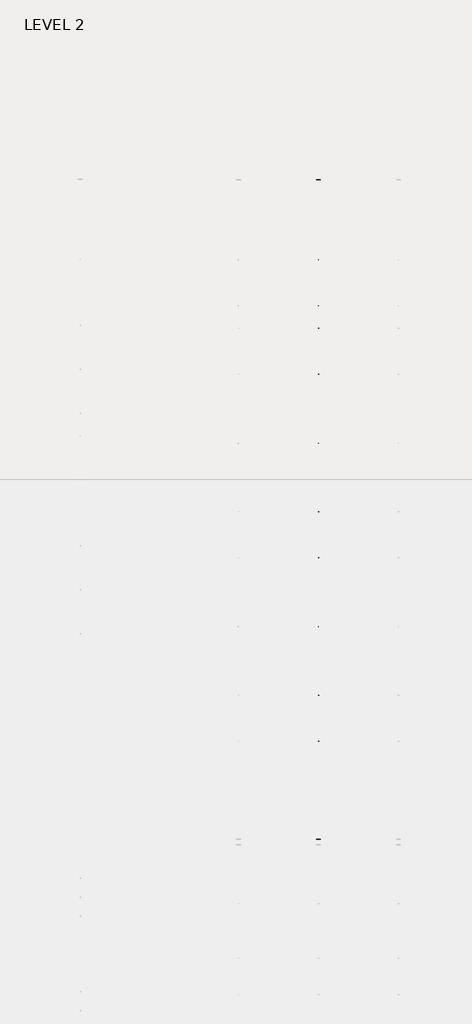
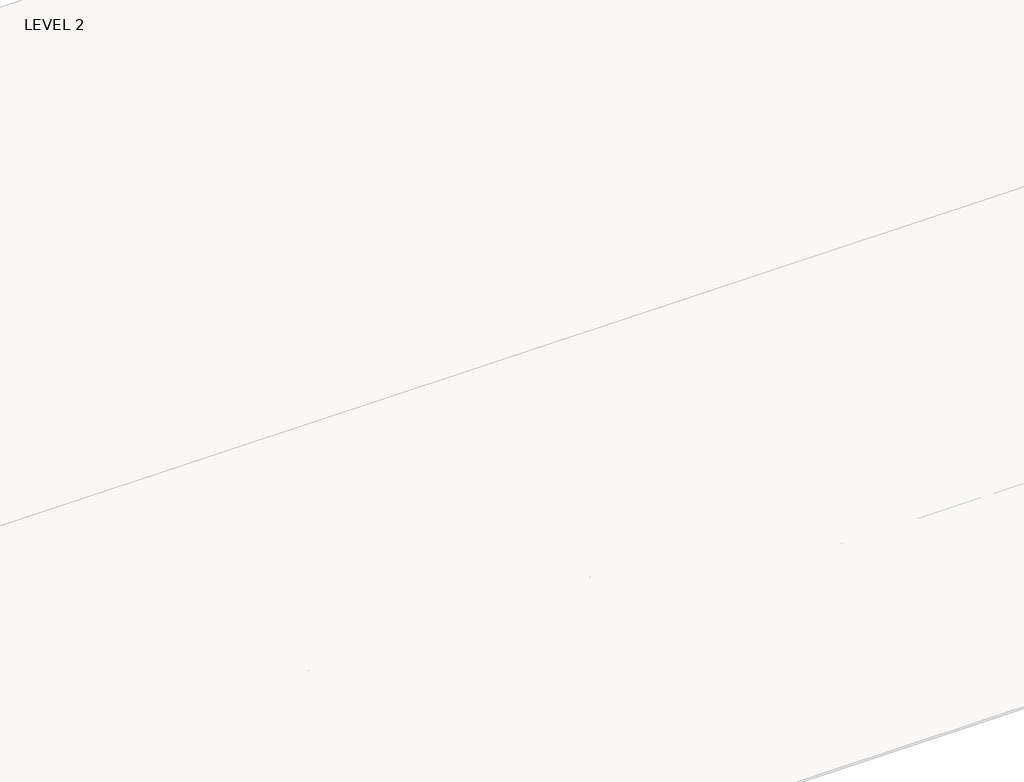
# One storey, part 33 of 67: 2 beams.
"""IFC4 building model written with IfcOpenShell, lengths in millimetres."""

from ifc_helpers import new_model, si_unit, frame, origin, place, context, project, spatial, polyline, circle_curve, ellipse_curve, outline, extrude, faceted_brep, element, save
from ifc_brep_helpers import plane_surface, revolved_surface, advanced_brep

model = new_model("IFC4")

# Units and contexts
model_context = context("Model", 3, world=origin())
ifc_project = project(units=[si_unit("LENGTHUNIT", "METRE", prefix="MILLI")], contexts=[model_context])

# Site, building, storey
site = spatial("IfcSite", under=ifc_project)
building = spatial("IfcBuilding", under=site)
storey = spatial("IfcBuildingStorey", under=building, Name="LEVEL 2", Elevation=6908.8)

# Beams
placement = place(None, origin())
element("IfcBeam", 1, ObjectType="K-Series Bar Joist-Angle Web : 30K7", at=placement, inside=storey, context=model_context, shape_type="SolidModel", body=[
    extrude(outline(polyline([(0.0, -9.525), (0.0, 0.0), (1596.011582, 0.0), (1596.011582, -9.525), (0.0, -9.525)])), frame((27777.0014942, 3035.5608234, 6301.5998528), z_axis=(0.0, -0.45537207995192985, 0.8903012236317849), x_axis=(0.0, -0.8903012236317849, -0.45537207995192985)), (0.0, 0.0, 1.0), 9.525),
    extrude(outline(polyline([(0.0, -9.525), (0.0, 0.0), (1596.011582, 0.0), (1596.011582, -9.525), (0.0, -9.525)])), frame((27767.4764942, -9405.2089013, 6276.405159), z_axis=(0.0, 0.45176233395621196, 0.8921383265046045), x_axis=(0.0, 0.8921383265046045, -0.45176233395621196)), (0.0, 0.0, 1.0), 9.525),
    extrude(outline(polyline([(4.7625, 4.7625), (4.7625, -4.7625), (-4.7625, -4.7625), (-4.7625, 4.7625), (4.7625, 4.7625)])), frame((27772.2389942, 1612.4610495, 5579.0607987), z_axis=(0.0, 0.5141906943646374, 0.8576758885667779), x_axis=(-1.0, 0.0, 0.0)), (0.0, 0.0, 1.0), 845.0528554),
    extrude(outline(polyline([(4.7625, 4.7625), (4.7625, -4.7625), (-4.7625, -4.7625), (-4.7625, 4.7625), (4.7625, 4.7625)])), frame((27772.2389942, -7979.1942813, 5559.6360505), z_axis=(0.0, -0.5176603441548682, 0.8555862131249332), x_axis=(-1.0, 0.0, 0.0)), (0.0, 0.0, 1.0), 845.0528554),
    extrude(outline(polyline([(0.0, 0.0), (31.75, 0.0), (31.75, -6.35), (6.35, -6.35), (6.35, -31.75), (0.0, -31.75), (0.0, 0.0)])), frame((27777.0014942, -8080.7812131, 5553.0803065), z_axis=(0.0, 0.9999979493462576, 0.0020251674695521043), x_axis=(1.0, 0.0, 0.0)), (0.0, 0.0, 1.0), 9794.875),
    extrude(outline(polyline([(-9.525, 0.0), (-9.525, -31.75), (-15.875, -31.75), (-15.875, -6.35), (-41.275, -6.35), (-41.275, 0.0), (-9.525, 0.0)])), frame((27777.0014942, -8080.7812131, 5553.0803065), z_axis=(0.0, 0.9999979493462576, 0.0020251674695521043), x_axis=(1.0, 0.0, 0.0)), (0.0, 0.0, 1.0), 9794.875),
    extrude(outline(polyline([(-31.75, 0.0), (0.0, 0.0), (0.0, -6.35), (-25.4, -6.35), (-25.4, -31.75), (-31.75, -31.75), (-31.75, 0.0)])), frame((27808.7514942, -9504.5928758, 6248.6982759), z_axis=(0.0, 0.9999979493462576, 0.0020251674695521043), x_axis=(1.0, 0.0, 0.0)), (0.0, 0.0, 1.0), 101.6),
    extrude(outline(polyline([(-41.275, 0.0), (-41.275, -31.75), (-47.625, -31.75), (-47.625, -6.35), (-73.025, -6.35), (-73.025, 0.0), (-41.275, 0.0)])), frame((27808.7514942, -9504.5928758, 6248.6982759), z_axis=(0.0, 0.9999979493462576, 0.0020251674695521043), x_axis=(1.0, 0.0, 0.0)), (0.0, 0.0, 1.0), 101.6),
    extrude(outline(polyline([(0.0, 0.0), (31.75, 0.0), (31.75, -6.35), (6.35, -6.35), (6.35, -31.75), (0.0, -31.75), (0.0, 0.0)])), frame((27767.4764942, 3033.456413, 6274.0899775), z_axis=(0.0, 0.9999979493462576, 0.0020251674695521043), x_axis=(0.0, -0.0020251674695521043, 0.9999979493462576)), (0.0, 0.0, 1.0), 101.6),
    extrude(outline(polyline([(0.0, 41.275), (6.35, 41.275), (6.35, 15.875), (31.75, 15.875), (31.75, 9.525), (0.0, 9.525), (0.0, 41.275)])), frame((27767.4764942, 3033.456413, 6274.0899775), z_axis=(0.0, 0.9999979493462576, 0.0020251674695521043), x_axis=(0.0, -0.0020251674695521043, 0.9999979493462576)), (0.0, 0.0, 1.0), 101.6),
    extrude(outline(polyline([(0.0, 0.0), (31.75, 0.0), (31.75, -6.35), (6.35, -6.35), (6.35, -31.75), (0.0, -31.75), (0.0, 0.0)])), frame((27777.0014942, -9504.7214739, 6312.1981457), z_axis=(0.0, 0.9999979493462576, 0.0020251674695521043), x_axis=(0.0, 0.0020251674695521043, -0.9999979493462576)), (0.0, 0.0, 1.0), 12639.675),
    extrude(outline(polyline([(0.0, 9.525), (0.0, 41.275), (6.35, 41.275), (6.35, 15.875), (31.75, 15.875), (31.75, 9.525), (0.0, 9.525)])), frame((27777.0014942, -9504.7214739, 6312.1981457), z_axis=(0.0, 0.9999979493462576, 0.0020251674695521043), x_axis=(0.0, 0.0020251674695521043, -0.9999979493462576)), (0.0, 0.0, 1.0), 12639.675),
    faceted_brep([(27772.2389942, 1612.4289, 5594.9357661), (27772.2389942, 1612.4674794, 5575.8858052), (27767.4764942, 1612.4674794, 5575.8858052), (27767.4764942, 1612.4289, 5594.9357661), (27772.2389942, 1611.5910583, 5594.9340693), (27772.2389942, 1186.8149607, 6330.6753354), (27772.2389942, 1168.6028414, 6330.6384527), (27772.2389942, 1168.6414208, 6311.5884918), (27772.2389942, 1175.8292494, 6311.6030483), (27772.2389942, 1600.6053471, 5575.8617823), (27767.4764942, 1600.6053471, 5575.8617823), (27767.4764942, 1580.4651011, 5610.7460665), (27767.4764942, 1584.5895575, 5613.1272983), (27767.4764942, 1189.1083632, 6298.1277874), (27767.4764942, 1184.9839067, 6295.7465555), (27767.4764942, 1175.8292494, 6311.6030483), (27767.4764942, 1168.6414208, 6311.5884918), (27767.4764942, 1168.6028414, 6330.6384527), (27767.4764942, 1186.8149607, 6330.6753354), (27767.4764942, 1611.5910583, 5594.9340693), (27754.7764942, 1184.9839067, 6295.7465555), (27754.7764942, 1580.4651011, 5610.7460665), (27754.7764942, 1584.5895575, 5613.1272983), (27754.7764942, 1189.1083632, 6298.1277874)], [[[0, 1, 2, 3]], [[1, 0, 4, 5, 6, 7, 8, 9]], [[2, 1, 9, 10]], [[3, 2, 10, 11, 12, 13, 14, 15, 16, 17, 18, 19]], [[0, 3, 19, 4]], [[9, 8, 15, 14, 20, 21, 11, 10]], [[5, 4, 19, 18]], [[7, 6, 17, 16]], [[8, 7, 16, 15]], [[6, 5, 18, 17]], [[21, 22, 12, 11]], [[20, 14, 13, 23]], [[22, 21, 20, 23]], [[12, 22, 23, 13]]]),
    extrude(outline(polyline([(740.498813, 5574.119919), (740.4602335, 5593.1698799), (741.2980751, 5593.1715767), (1163.090696, 6330.6272897), (1181.3028154, 6330.6641723), (1181.3413948, 6311.6142114), (1174.1535662, 6311.5996548), (752.3609453, 5574.1439418), (740.498813, 5574.119919)])), frame((27772.2389942, 0.0, 0.0), z_axis=(1.0, 0.0, 0.0), x_axis=(0.0, 1.0, 0.0)), (0.0, 0.0, 1.0), 4.7625),
    extrude(outline(polyline([(-4.7625, 4.7625), (-4.7625, 0.0), (-17.4625, 0.0), (-17.4625, 4.7625), (-4.7625, 4.7625)])), frame((27772.2389942, 772.3597334, 5609.1095144), z_axis=(0.0, 0.4964843899757221, 0.8680456500152716), x_axis=(-1.0, 0.0, 0.0)), (0.0, 0.0, 1.0), 790.9684223),
    faceted_brep([(27772.2389942, -7107.2577644, 5577.2769041), (27772.2389942, -7107.219185, 5558.2269432), (27767.4764942, -7107.219185, 5558.2269432), (27767.4764942, -7107.2577644, 5577.2769041), (27772.2389942, -7108.095606, 5577.2752074), (27772.2389942, -7532.8717036, 6313.0164734), (27772.2389942, -7551.083823, 6312.9795907), (27772.2389942, -7551.0452435, 6293.9296298), (27772.2389942, -7543.8574149, 6293.9441864), (27772.2389942, -7119.0813173, 5558.2029203), (27767.4764942, -7119.0813173, 5558.2029203), (27767.4764942, -7139.2215633, 5593.0872045), (27767.4764942, -7135.0971068, 5595.4684363), (27767.4764942, -7530.5783012, 6280.4689254), (27767.4764942, -7534.7027576, 6278.0876936), (27767.4764942, -7543.8574149, 6293.9441864), (27767.4764942, -7551.0452435, 6293.9296298), (27767.4764942, -7551.083823, 6312.9795907), (27767.4764942, -7532.8717036, 6313.0164734), (27767.4764942, -7108.095606, 5577.2752074), (27754.7764942, -7534.7027576, 6278.0876936), (27754.7764942, -7139.2215633, 5593.0872045), (27754.7764942, -7135.0971068, 5595.4684363), (27754.7764942, -7530.5783012, 6280.4689254)], [[[0, 1, 2, 3]], [[1, 0, 4, 5, 6, 7, 8, 9]], [[2, 1, 9, 10]], [[3, 2, 10, 11, 12, 13, 14, 15, 16, 17, 18, 19]], [[0, 3, 19, 4]], [[9, 8, 15, 14, 20, 21, 11, 10]], [[5, 4, 19, 18]], [[7, 6, 17, 16]], [[8, 7, 16, 15]], [[6, 5, 18, 17]], [[21, 22, 12, 11]], [[20, 14, 13, 23]], [[22, 21, 20, 23]], [[12, 22, 23, 13]]]),
    extrude(outline(polyline([(-7979.1878514, 5556.461057), (-7979.2264308, 5575.5110179), (-7978.3885892, 5575.5127147), (-7556.5959683, 6312.9684277), (-7538.383849, 6313.0053103), (-7538.3452696, 6293.9553494), (-7545.5330982, 6293.9407928), (-7967.3257191, 5556.4850798), (-7979.1878514, 5556.461057)])), frame((27772.2389942, 0.0, 0.0), z_axis=(1.0, 0.0, 0.0), x_axis=(0.0, 1.0, 0.0)), (0.0, 0.0, 1.0), 4.7625),
    extrude(outline(polyline([(-4.7625, 4.7625), (-4.7625, 0.0), (-17.4625, 0.0), (-17.4625, 4.7625), (-4.7625, 4.7625)])), frame((27772.2389942, -7947.326931, 5591.4506524), z_axis=(0.0, 0.4964843899757221, 0.8680456500152716), x_axis=(-1.0, 0.0, 0.0)), (0.0, 0.0, 1.0), 790.9684223),
    faceted_brep([(27772.2389942, 740.4602335, 5593.1698799), (27772.2389942, 740.498813, 5574.119919), (27767.4764942, 740.498813, 5574.119919), (27767.4764942, 740.4602335, 5593.1698799), (27772.2389942, 739.6223919, 5593.1681831), (27772.2389942, 314.8462943, 6328.9094492), (27772.2389942, 296.634175, 6328.8725665), (27772.2389942, 296.6727544, 6309.8226056), (27772.2389942, 303.860583, 6309.8371621), (27772.2389942, 728.6366806, 5574.0958961), (27767.4764942, 728.6366806, 5574.0958961), (27767.4764942, 708.4964346, 5608.9801803), (27767.4764942, 712.6208911, 5611.3614121), (27767.4764942, 317.1396968, 6296.3619012), (27767.4764942, 313.0152403, 6293.9806693), (27767.4764942, 303.860583, 6309.8371621), (27767.4764942, 296.6727544, 6309.8226056), (27767.4764942, 296.634175, 6328.8725665), (27767.4764942, 314.8462943, 6328.9094492), (27767.4764942, 739.6223919, 5593.1681831), (27754.7764942, 313.0152403, 6293.9806693), (27754.7764942, 708.4964346, 5608.9801803), (27754.7764942, 712.6208911, 5611.3614121), (27754.7764942, 317.1396968, 6296.3619012)], [[[0, 1, 2, 3]], [[1, 0, 4, 5, 6, 7, 8, 9]], [[2, 1, 9, 10]], [[3, 2, 10, 11, 12, 13, 14, 15, 16, 17, 18, 19]], [[0, 3, 19, 4]], [[9, 8, 15, 14, 20, 21, 11, 10]], [[5, 4, 19, 18]], [[7, 6, 17, 16]], [[8, 7, 16, 15]], [[6, 5, 18, 17]], [[21, 22, 12, 11]], [[20, 14, 13, 23]], [[22, 21, 20, 23]], [[12, 22, 23, 13]]]),
    extrude(outline(polyline([(-131.4698535, 5572.3540328), (-131.5084329, 5591.4039937), (-130.6705913, 5591.4056905), (291.1220296, 6328.8614035), (309.3341489, 6328.8982861), (309.3727284, 6309.8483252), (302.1848998, 6309.8337686), (-119.6077211, 5572.3780556), (-131.4698535, 5572.3540328)])), frame((27772.2389942, 0.0, 0.0), z_axis=(1.0, 0.0, 0.0), x_axis=(0.0, 1.0, 0.0)), (0.0, 0.0, 1.0), 4.7625),
    extrude(outline(polyline([(-4.7625, 4.7625), (-4.7625, 0.0), (-17.4625, 0.0), (-17.4625, 4.7625), (-4.7625, 4.7625)])), frame((27772.2389942, -99.6089331, 5607.3436282), z_axis=(0.0, 0.4964843899757221, 0.8680456500152716), x_axis=(-1.0, 0.0, 0.0)), (0.0, 0.0, 1.0), 790.9684223),
    faceted_brep([(27772.2389942, -131.5084329, 5591.4039937), (27772.2389942, -131.4698535, 5572.3540328), (27767.4764942, -131.4698535, 5572.3540328), (27767.4764942, -131.5084329, 5591.4039937), (27772.2389942, -132.3462745, 5591.4022969), (27772.2389942, -557.1223722, 6327.143563), (27772.2389942, -575.3344915, 6327.1066803), (27772.2389942, -575.295912, 6308.0567194), (27772.2389942, -568.1080834, 6308.0712759), (27772.2389942, -143.3319858, 5572.3300099), (27767.4764942, -143.3319858, 5572.3300099), (27767.4764942, -163.4722318, 5607.2142941), (27767.4764942, -159.3477753, 5609.5955259), (27767.4764942, -554.8289697, 6294.596015), (27767.4764942, -558.9534262, 6292.2147831), (27767.4764942, -568.1080834, 6308.0712759), (27767.4764942, -575.295912, 6308.0567194), (27767.4764942, -575.3344915, 6327.1066803), (27767.4764942, -557.1223722, 6327.143563), (27767.4764942, -132.3462745, 5591.4022969), (27754.7764942, -558.9534262, 6292.2147831), (27754.7764942, -163.4722318, 5607.2142941), (27754.7764942, -159.3477753, 5609.5955259), (27754.7764942, -554.8289697, 6294.596015)], [[[0, 1, 2, 3]], [[1, 0, 4, 5, 6, 7, 8, 9]], [[2, 1, 9, 10]], [[3, 2, 10, 11, 12, 13, 14, 15, 16, 17, 18, 19]], [[0, 3, 19, 4]], [[9, 8, 15, 14, 20, 21, 11, 10]], [[5, 4, 19, 18]], [[7, 6, 17, 16]], [[8, 7, 16, 15]], [[6, 5, 18, 17]], [[21, 22, 12, 11]], [[20, 14, 13, 23]], [[22, 21, 20, 23]], [[12, 22, 23, 13]]]),
    extrude(outline(polyline([(-1003.4385199, 5570.5881466), (-1003.4770993, 5589.6381075), (-1002.6392577, 5589.6398043), (-580.8466368, 6327.0955173), (-562.6345175, 6327.1323999), (-562.5959381, 6308.082439), (-569.7837667, 6308.0678824), (-991.5763876, 5570.6121694), (-1003.4385199, 5570.5881466)])), frame((27772.2389942, 0.0, 0.0), z_axis=(1.0, 0.0, 0.0), x_axis=(0.0, 1.0, 0.0)), (0.0, 0.0, 1.0), 4.7625),
    extrude(outline(polyline([(-4.7625, 4.7625), (-4.7625, 0.0), (-17.4625, 0.0), (-17.4625, 4.7625), (-4.7625, 4.7625)])), frame((27772.2389942, -971.5775995, 5605.577742), z_axis=(0.0, 0.4964843899757221, 0.8680456500152716), x_axis=(-1.0, 0.0, 0.0)), (0.0, 0.0, 1.0), 790.9684223),
    faceted_brep([(27772.2389942, -1003.4770993, 5589.6381075), (27772.2389942, -1003.4385199, 5570.5881466), (27767.4764942, -1003.4385199, 5570.5881466), (27767.4764942, -1003.4770993, 5589.6381075), (27772.2389942, -1004.314941, 5589.6364107), (27772.2389942, -1429.0910386, 6325.3776768), (27772.2389942, -1447.3031579, 6325.3407941), (27772.2389942, -1447.2645785, 6306.2908332), (27772.2389942, -1440.0767499, 6306.3053897), (27772.2389942, -1015.3006522, 5570.5641237), (27767.4764942, -1015.3006522, 5570.5641237), (27767.4764942, -1035.4408983, 5605.4484079), (27767.4764942, -1031.3164418, 5607.8296397), (27767.4764942, -1426.7976361, 6292.8301288), (27767.4764942, -1430.9220926, 6290.4488969), (27767.4764942, -1440.0767499, 6306.3053897), (27767.4764942, -1447.2645785, 6306.2908332), (27767.4764942, -1447.3031579, 6325.3407941), (27767.4764942, -1429.0910386, 6325.3776768), (27767.4764942, -1004.314941, 5589.6364107), (27754.7764942, -1430.9220926, 6290.4488969), (27754.7764942, -1035.4408983, 5605.4484079), (27754.7764942, -1031.3164418, 5607.8296397), (27754.7764942, -1426.7976361, 6292.8301288)], [[[0, 1, 2, 3]], [[1, 0, 4, 5, 6, 7, 8, 9]], [[2, 1, 9, 10]], [[3, 2, 10, 11, 12, 13, 14, 15, 16, 17, 18, 19]], [[0, 3, 19, 4]], [[9, 8, 15, 14, 20, 21, 11, 10]], [[5, 4, 19, 18]], [[7, 6, 17, 16]], [[8, 7, 16, 15]], [[6, 5, 18, 17]], [[21, 22, 12, 11]], [[20, 14, 13, 23]], [[22, 21, 20, 23]], [[12, 22, 23, 13]]]),
    extrude(outline(polyline([(-1875.4071863, 5568.8222604), (-1875.4457658, 5587.8722213), (-1874.6079242, 5587.8739181), (-1452.8153033, 6325.3296311), (-1434.6031839, 6325.3665137), (-1434.5646045, 6306.3165528), (-1441.7524331, 6306.3019962), (-1863.545054, 5568.8462832), (-1875.4071863, 5568.8222604)])), frame((27772.2389942, 0.0, 0.0), z_axis=(1.0, 0.0, 0.0), x_axis=(0.0, 1.0, 0.0)), (0.0, 0.0, 1.0), 4.7625),
    extrude(outline(polyline([(-4.7625, 4.7625001), (-4.7625, 0.0), (-17.4625, 0.0), (-17.4625, 4.7625001), (-4.7625, 4.7625001)])), frame((27772.2389942, -1843.5462659, 5603.8118558), z_axis=(0.0, 0.4964843899757221, 0.8680456500152716), x_axis=(-1.0, 0.0, 0.0)), (0.0, 0.0, 1.0), 790.9684223),
    faceted_brep([(27772.2389942, -1875.4457658, 5587.8722213), (27772.2389942, -1875.4071863, 5568.8222604), (27767.4764942, -1875.4071863, 5568.8222604), (27767.4764942, -1875.4457658, 5587.8722213), (27772.2389942, -1876.2836074, 5587.8705245), (27772.2389942, -2301.059705, 6323.6117906), (27772.2389942, -2319.2718243, 6323.5749079), (27772.2389942, -2319.2332449, 6304.524947), (27772.2389942, -2312.0454163, 6304.5395035), (27772.2389942, -1887.2693187, 5568.7982375), (27767.4764942, -1887.2693187, 5568.7982375), (27767.4764942, -1907.4095647, 5603.6825217), (27767.4764942, -1903.2851082, 5606.0637535), (27767.4764942, -2298.7663026, 6291.0642426), (27767.4764942, -2302.890759, 6288.6830107), (27767.4764942, -2312.0454163, 6304.5395035), (27767.4764942, -2319.2332449, 6304.524947), (27767.4764942, -2319.2718243, 6323.5749079), (27767.4764942, -2301.059705, 6323.6117906), (27767.4764942, -1876.2836074, 5587.8705245), (27754.7764942, -2302.890759, 6288.6830107), (27754.7764942, -1907.4095647, 5603.6825217), (27754.7764942, -1903.2851082, 5606.0637535), (27754.7764942, -2298.7663026, 6291.0642426)], [[[0, 1, 2, 3]], [[1, 0, 4, 5, 6, 7, 8, 9]], [[2, 1, 9, 10]], [[3, 2, 10, 11, 12, 13, 14, 15, 16, 17, 18, 19]], [[0, 3, 19, 4]], [[9, 8, 15, 14, 20, 21, 11, 10]], [[5, 4, 19, 18]], [[7, 6, 17, 16]], [[8, 7, 16, 15]], [[6, 5, 18, 17]], [[21, 22, 12, 11]], [[20, 14, 13, 23]], [[22, 21, 20, 23]], [[12, 22, 23, 13]]]),
    extrude(outline(polyline([(-2747.3758528, 5567.0563742), (-2747.4144322, 5586.1063351), (-2746.5765906, 5586.1080319), (-2324.7839697, 6323.5637449), (-2306.5718504, 6323.6006275), (-2306.5332709, 6304.5506666), (-2313.7210995, 6304.53611), (-2735.5137204, 5567.080397), (-2747.3758528, 5567.0563742)])), frame((27772.2389942, 0.0, 0.0), z_axis=(1.0, 0.0, 0.0), x_axis=(0.0, 1.0, 0.0)), (0.0, 0.0, 1.0), 4.7625),
    extrude(outline(polyline([(-4.7625, 4.7625), (-4.7625, 0.0), (-17.4625, 0.0), (-17.4625, 4.7625), (-4.7625, 4.7625)])), frame((27772.2389942, -2715.5149324, 5602.0459696), z_axis=(0.0, 0.4964843899757221, 0.8680456500152716), x_axis=(-1.0, 0.0, 0.0)), (0.0, 0.0, 1.0), 790.9684223),
    faceted_brep([(27772.2389942, -2747.4144322, 5586.1063351), (27772.2389942, -2747.3758528, 5567.0563742), (27767.4764942, -2747.3758528, 5567.0563742), (27767.4764942, -2747.4144322, 5586.1063351), (27772.2389942, -2748.2522738, 5586.1046383), (27772.2389942, -3173.0283715, 6321.8459044), (27772.2389942, -3191.2404908, 6321.8090217), (27772.2389942, -3191.2019113, 6302.7590608), (27772.2389942, -3184.0140827, 6302.7736173), (27772.2389942, -2759.2379851, 5567.0323513), (27767.4764942, -2759.2379851, 5567.0323513), (27767.4764942, -2779.3782311, 5601.9166355), (27767.4764942, -2775.2537747, 5604.2978673), (27767.4764942, -3170.734969, 6289.2983564), (27767.4764942, -3174.8594255, 6286.9171245), (27767.4764942, -3184.0140827, 6302.7736173), (27767.4764942, -3191.2019113, 6302.7590608), (27767.4764942, -3191.2404908, 6321.8090217), (27767.4764942, -3173.0283715, 6321.8459044), (27767.4764942, -2748.2522738, 5586.1046383), (27754.7764942, -3174.8594255, 6286.9171245), (27754.7764942, -2779.3782311, 5601.9166355), (27754.7764942, -2775.2537747, 5604.2978673), (27754.7764942, -3170.734969, 6289.2983564)], [[[0, 1, 2, 3]], [[1, 0, 4, 5, 6, 7, 8, 9]], [[2, 1, 9, 10]], [[3, 2, 10, 11, 12, 13, 14, 15, 16, 17, 18, 19]], [[0, 3, 19, 4]], [[9, 8, 15, 14, 20, 21, 11, 10]], [[5, 4, 19, 18]], [[7, 6, 17, 16]], [[8, 7, 16, 15]], [[6, 5, 18, 17]], [[21, 22, 12, 11]], [[20, 14, 13, 23]], [[22, 21, 20, 23]], [[12, 22, 23, 13]]]),
    extrude(outline(polyline([(-3619.3445192, 5565.290488), (-3619.3830987, 5584.3404489), (-3618.545257, 5584.3421457), (-3196.7526361, 6321.7978587), (-3178.5405168, 6321.8347413), (-3178.5019374, 6302.7847804), (-3185.689766, 6302.7702238), (-3607.4823869, 5565.3145108), (-3619.3445192, 5565.290488)])), frame((27772.2389942, 0.0, 0.0), z_axis=(1.0, 0.0, 0.0), x_axis=(0.0, 1.0, 0.0)), (0.0, 0.0, 1.0), 4.7625),
    extrude(outline(polyline([(-4.7625, 4.7625), (-4.7625, 0.0), (-17.4625, 0.0), (-17.4625, 4.7625), (-4.7625, 4.7625)])), frame((27772.2389942, -3587.4835988, 5600.2800834), z_axis=(0.0, 0.4964843899757221, 0.8680456500152716), x_axis=(-1.0, 0.0, 0.0)), (0.0, 0.0, 1.0), 790.9684223),
    faceted_brep([(27772.2389942, -3619.3830987, 5584.3404489), (27772.2389942, -3619.3445192, 5565.290488), (27767.4764942, -3619.3445192, 5565.290488), (27767.4764942, -3619.3830987, 5584.3404489), (27772.2389942, -3620.2209403, 5584.3387521), (27772.2389942, -4044.9970379, 6320.0800182), (27772.2389942, -4063.2091572, 6320.0431355), (27772.2389942, -4063.1705778, 6300.9931746), (27772.2389942, -4055.9827492, 6301.0077311), (27772.2389942, -3631.2066516, 5565.2664651), (27767.4764942, -3631.2066516, 5565.2664651), (27767.4764942, -3651.3468976, 5600.1507493), (27767.4764942, -3647.2224411, 5602.5319811), (27767.4764942, -4042.7036354, 6287.5324702), (27767.4764942, -4046.8280919, 6285.1512383), (27767.4764942, -4055.9827492, 6301.0077311), (27767.4764942, -4063.1705778, 6300.9931746), (27767.4764942, -4063.2091572, 6320.0431355), (27767.4764942, -4044.9970379, 6320.0800182), (27767.4764942, -3620.2209403, 5584.3387521), (27754.7764942, -4046.8280919, 6285.1512383), (27754.7764942, -3651.3468976, 5600.1507493), (27754.7764942, -3647.2224411, 5602.5319811), (27754.7764942, -4042.7036354, 6287.5324702)], [[[0, 1, 2, 3]], [[1, 0, 4, 5, 6, 7, 8, 9]], [[2, 1, 9, 10]], [[3, 2, 10, 11, 12, 13, 14, 15, 16, 17, 18, 19]], [[0, 3, 19, 4]], [[9, 8, 15, 14, 20, 21, 11, 10]], [[5, 4, 19, 18]], [[7, 6, 17, 16]], [[8, 7, 16, 15]], [[6, 5, 18, 17]], [[21, 22, 12, 11]], [[20, 14, 13, 23]], [[22, 21, 20, 23]], [[12, 22, 23, 13]]]),
    extrude(outline(polyline([(-4491.3131857, 5563.5246018), (-4491.3517651, 5582.5745627), (-4490.5139235, 5582.5762595), (-4068.7213026, 6320.0319725), (-4050.5091833, 6320.0688551), (-4050.4706038, 6301.0188942), (-4057.6584324, 6301.0043376), (-4479.4510533, 5563.5486246), (-4491.3131857, 5563.5246018)])), frame((27772.2389942, 0.0, 0.0), z_axis=(1.0, 0.0, 0.0), x_axis=(0.0, 1.0, 0.0)), (0.0, 0.0, 1.0), 4.7625),
    extrude(outline(polyline([(-4.7625, 4.7625), (-4.7625, 0.0), (-17.4625, 0.0), (-17.4625, 4.7625), (-4.7625, 4.7625)])), frame((27772.2389942, -4459.4522653, 5598.5141972), z_axis=(0.0, 0.4964843899757221, 0.8680456500152716), x_axis=(-1.0, 0.0, 0.0)), (0.0, 0.0, 1.0), 790.9684223),
    faceted_brep([(27772.2389942, -4491.3517651, 5582.5745627), (27772.2389942, -4491.3131857, 5563.5246018), (27767.4764942, -4491.3131857, 5563.5246018), (27767.4764942, -4491.3517651, 5582.5745627), (27772.2389942, -4492.1896067, 5582.572866), (27772.2389942, -4916.9657043, 6318.314132), (27772.2389942, -4935.1778236, 6318.2772493), (27772.2389942, -4935.1392442, 6299.2272884), (27772.2389942, -4927.9514156, 6299.241845), (27772.2389942, -4503.175318, 5563.5005789), (27767.4764942, -4503.175318, 5563.5005789), (27767.4764942, -4523.315564, 5598.3848631), (27767.4764942, -4519.1911075, 5600.7660949), (27767.4764942, -4914.6723019, 6285.766584), (27767.4764942, -4918.7967583, 6283.3853521), (27767.4764942, -4927.9514156, 6299.241845), (27767.4764942, -4935.1392442, 6299.2272884), (27767.4764942, -4935.1778236, 6318.2772493), (27767.4764942, -4916.9657043, 6318.314132), (27767.4764942, -4492.1896067, 5582.572866), (27754.7764942, -4918.7967583, 6283.3853521), (27754.7764942, -4523.315564, 5598.3848631), (27754.7764942, -4519.1911075, 5600.7660949), (27754.7764942, -4914.6723019, 6285.766584)], [[[0, 1, 2, 3]], [[1, 0, 4, 5, 6, 7, 8, 9]], [[2, 1, 9, 10]], [[3, 2, 10, 11, 12, 13, 14, 15, 16, 17, 18, 19]], [[0, 3, 19, 4]], [[9, 8, 15, 14, 20, 21, 11, 10]], [[5, 4, 19, 18]], [[7, 6, 17, 16]], [[8, 7, 16, 15]], [[6, 5, 18, 17]], [[21, 22, 12, 11]], [[20, 14, 13, 23]], [[22, 21, 20, 23]], [[12, 22, 23, 13]]]),
    extrude(outline(polyline([(-5363.2818521, 5561.7587156), (-5363.3204315, 5580.8086765), (-5362.4825899, 5580.8103733), (-4940.689969, 6318.2660863), (-4922.4778497, 6318.3029689), (-4922.4392703, 6299.253008), (-4929.6270988, 6299.2384514), (-5351.4197198, 5561.7827384), (-5363.2818521, 5561.7587156)])), frame((27772.2389942, 0.0, 0.0), z_axis=(1.0, 0.0, 0.0), x_axis=(0.0, 1.0, 0.0)), (0.0, 0.0, 1.0), 4.7625),
    extrude(outline(polyline([(-4.7625, 4.7625), (-4.7625, 0.0), (-17.4625, 0.0), (-17.4625, 4.7625), (-4.7625, 4.7625)])), frame((27772.2389942, -5331.4209317, 5596.748311), z_axis=(0.0, 0.4964843899757221, 0.8680456500152716), x_axis=(-1.0, 0.0, 0.0)), (0.0, 0.0, 1.0), 790.9684223),
    faceted_brep([(27772.2389942, -5363.3204315, 5580.8086765), (27772.2389942, -5363.2818521, 5561.7587156), (27767.4764942, -5363.2818521, 5561.7587156), (27767.4764942, -5363.3204315, 5580.8086765), (27772.2389942, -5364.1582731, 5580.8069798), (27772.2389942, -5788.9343708, 6316.5482458), (27772.2389942, -5807.1464901, 6316.5113631), (27772.2389942, -5807.1079106, 6297.4614022), (27772.2389942, -5799.920082, 6297.4759588), (27772.2389942, -5375.1439844, 5561.7346927), (27767.4764942, -5375.1439844, 5561.7346927), (27767.4764942, -5395.2842304, 5596.6189769), (27767.4764942, -5391.159774, 5599.0002087), (27767.4764942, -5786.6409683, 6284.0006978), (27767.4764942, -5790.7654248, 6281.6194659), (27767.4764942, -5799.920082, 6297.4759588), (27767.4764942, -5807.1079106, 6297.4614022), (27767.4764942, -5807.1464901, 6316.5113631), (27767.4764942, -5788.9343708, 6316.5482458), (27767.4764942, -5364.1582731, 5580.8069798), (27754.7764942, -5790.7654248, 6281.6194659), (27754.7764942, -5395.2842304, 5596.6189769), (27754.7764942, -5391.159774, 5599.0002087), (27754.7764942, -5786.6409683, 6284.0006978)], [[[0, 1, 2, 3]], [[1, 0, 4, 5, 6, 7, 8, 9]], [[2, 1, 9, 10]], [[3, 2, 10, 11, 12, 13, 14, 15, 16, 17, 18, 19]], [[0, 3, 19, 4]], [[9, 8, 15, 14, 20, 21, 11, 10]], [[5, 4, 19, 18]], [[7, 6, 17, 16]], [[8, 7, 16, 15]], [[6, 5, 18, 17]], [[21, 22, 12, 11]], [[20, 14, 13, 23]], [[22, 21, 20, 23]], [[12, 22, 23, 13]]]),
    extrude(outline(polyline([(-6235.2505185, 5559.9928294), (-6235.289098, 5579.0427903), (-6234.4512563, 5579.0444871), (-5812.6586354, 6316.5002001), (-5794.4465161, 6316.5370827), (-5794.4079367, 6297.4871218), (-5801.5957653, 6297.4725652), (-6223.3883862, 5560.0168522), (-6235.2505185, 5559.9928294)])), frame((27772.2389942, 0.0, 0.0), z_axis=(1.0, 0.0, 0.0), x_axis=(0.0, 1.0, 0.0)), (0.0, 0.0, 1.0), 4.7625),
    extrude(outline(polyline([(-4.7625, 4.7625), (-4.7625, 0.0), (-17.4625, 0.0), (-17.4625, 4.7625), (-4.7625, 4.7625)])), frame((27772.2389942, -6203.3895981, 5594.9824248), z_axis=(0.0, 0.4964843899757221, 0.8680456500152716), x_axis=(-1.0, 0.0, 0.0)), (0.0, 0.0, 1.0), 790.9684223),
    faceted_brep([(27772.2389942, -6235.289098, 5579.0427903), (27772.2389942, -6235.2505185, 5559.9928294), (27767.4764942, -6235.2505185, 5559.9928294), (27767.4764942, -6235.289098, 5579.0427903), (27772.2389942, -6236.1269396, 5579.0410936), (27772.2389942, -6660.9030372, 6314.7823596), (27772.2389942, -6679.1151565, 6314.7454769), (27772.2389942, -6679.0765771, 6295.695516), (27772.2389942, -6671.8887485, 6295.7100726), (27772.2389942, -6247.1126509, 5559.9688065), (27767.4764942, -6247.1126509, 5559.9688065), (27767.4764942, -6267.2528969, 5594.8530907), (27767.4764942, -6263.1284404, 5597.2343225), (27767.4764942, -6658.6096347, 6282.2348116), (27767.4764942, -6662.7340912, 6279.8535798), (27767.4764942, -6671.8887485, 6295.7100726), (27767.4764942, -6679.0765771, 6295.695516), (27767.4764942, -6679.1151565, 6314.7454769), (27767.4764942, -6660.9030372, 6314.7823596), (27767.4764942, -6236.1269396, 5579.0410936), (27754.7764942, -6662.7340912, 6279.8535798), (27754.7764942, -6267.2528969, 5594.8530907), (27754.7764942, -6263.1284404, 5597.2343225), (27754.7764942, -6658.6096347, 6282.2348116)], [[[0, 1, 2, 3]], [[1, 0, 4, 5, 6, 7, 8, 9]], [[2, 1, 9, 10]], [[3, 2, 10, 11, 12, 13, 14, 15, 16, 17, 18, 19]], [[0, 3, 19, 4]], [[9, 8, 15, 14, 20, 21, 11, 10]], [[5, 4, 19, 18]], [[7, 6, 17, 16]], [[8, 7, 16, 15]], [[6, 5, 18, 17]], [[21, 22, 12, 11]], [[20, 14, 13, 23]], [[22, 21, 20, 23]], [[12, 22, 23, 13]]]),
    extrude(outline(polyline([(-7107.219185, 5558.2269432), (-7107.2577644, 5577.2769041), (-7106.4199228, 5577.2786009), (-6684.6273019, 6314.7343139), (-6666.4151826, 6314.7711965), (-6666.3766031, 6295.7212356), (-6673.5644317, 6295.706679), (-7095.3570526, 5558.250966), (-7107.219185, 5558.2269432)])), frame((27772.2389942, 0.0, 0.0), z_axis=(1.0, 0.0, 0.0), x_axis=(0.0, 1.0, 0.0)), (0.0, 0.0, 1.0), 4.7625),
    extrude(outline(polyline([(-4.7625, 4.7625), (-4.7625, 0.0), (-17.4625, 0.0), (-17.4625, 4.7625), (-4.7625, 4.7625)])), frame((27772.2389942, -7075.3582646, 5593.2165386), z_axis=(0.0, 0.4964843899757221, 0.8680456500152716), x_axis=(-1.0, 0.0, 0.0)), (0.0, 0.0, 1.0), 790.9684223),
])
element("IfcBeam", 2, ObjectType="W27x84", at=placement, inside=storey, context=model_context, shape_type="AdvancedBrep", body=[
    advanced_brep(
    [(24851.2389942, -2568.3370771, 5793.9898324), (24753.5124942, -2568.3370771, 5793.9898324), (24730.0809942, -2568.3370771, 5817.4263871), (24730.0809942, -2568.3370771, 6416.3605632), (24753.5124942, -2568.3370771, 6439.7971179), (24851.2389942, -2568.3370771, 6439.7971179), (24851.2389942, -2568.3370771, 6456.0566247), (24597.2389942, -2568.3370771, 6456.0566247), (24597.2389942, -2568.3370771, 6439.7971179), (24694.9654942, -2568.3370771, 6439.7971179), (24718.3969942, -2568.3370771, 6416.3605632), (24718.3969942, -2568.3370771, 5817.4263871), (24694.9654942, -2568.3370771, 5793.9898324), (24597.2389942, -2568.3370771, 5793.9898324), (24597.2389942, -2568.3370771, 5777.7303256), (24851.2389942, -2568.3370771, 5777.7303256), (24851.2389942, 2992.1660576, 5678.484809), (24851.2389942, 2991.8284542, 5662.2323151), (24597.2389942, 2991.8284542, 5662.2323151), (24597.2389942, 2992.1660576, 5678.484809), (24694.9654942, 2992.1660576, 5678.484809), (24718.3969942, 2992.6526812, 5701.9112554), (24718.3969942, 3005.0886185, 6300.5871072), (24694.9654942, 3005.5752422, 6324.0135536), (24597.2389942, 3005.5752422, 6324.0135536), (24597.2389942, 3005.9128455, 6340.2660475), (24851.2389942, 3005.9128455, 6340.2660475), (24851.2389942, 3005.5752422, 6324.0135536), (24753.5124942, 3005.5752422, 6324.0135536), (24730.0809942, 3005.0886185, 6300.5871072), (24730.0809942, 2992.6526812, 5701.9112554), (24753.5124942, 2992.1660576, 5678.484809)],
    [
        (0, 1),
        (1, 2, ellipse_curve(frame((24753.5124942, -2568.3370771, 5817.4263871), z_axis=(0.0, 1.0, 0.0), x_axis=(0.0, 0.0, -0.9999999999999999)), 23.4365547, 23.4315)),
        (2, 3),
        (3, 4, ellipse_curve(frame((24753.5124942, -2568.3370771, 6416.3605632), z_axis=(0.0, 1.0, 0.0), x_axis=(0.0, 0.0, -0.9999999999999999)), 23.4365547, 23.4315)),
        (4, 5),
        (5, 6),
        (6, 7),
        (7, 8),
        (8, 9),
        (9, 10, ellipse_curve(frame((24694.9654942, -2568.3370771, 6416.3605632), z_axis=(0.0, 1.0, 0.0), x_axis=(0.0, 0.0, -0.9999999999999999)), 23.4365547, 23.4315)),
        (10, 11),
        (11, 12, ellipse_curve(frame((24694.9654942, -2568.3370771, 5817.4263871), z_axis=(0.0, 1.0, 0.0), x_axis=(0.0, 0.0, -0.9999999999999999)), 23.4365547, 23.4315)),
        (12, 13),
        (13, 14),
        (14, 15),
        (15, 0),
        (16, 17),
        (17, 18),
        (18, 19),
        (19, 20),
        (20, 21, circle_curve(frame((24694.9654942, 2992.6526812, 5701.9112554), z_axis=(0.0, -0.9997843233890995, 0.02076792491802676), x_axis=(-1.0000000000000002, 0.0, 0.0)), 23.4315)),
        (21, 22),
        (22, 23, circle_curve(frame((24694.9654942, 3005.0886185, 6300.5871072), z_axis=(0.0, -0.9997843233890995, 0.02076792491802676), x_axis=(-1.0000000000000002, 0.0, 0.0)), 23.4315)),
        (23, 24),
        (24, 25),
        (25, 26),
        (26, 27),
        (27, 28),
        (28, 29, circle_curve(frame((24753.5124942, 3005.0886185, 6300.5871072), z_axis=(0.0, -0.9997843233890995, 0.02076792491802676), x_axis=(-1.0000000000000002, 0.0, 0.0)), 23.4315)),
        (29, 30),
        (30, 31, circle_curve(frame((24753.5124942, 2992.6526812, 5701.9112554), z_axis=(0.0, -0.9997843233890995, 0.02076792491802676), x_axis=(-1.0000000000000002, 0.0, 0.0)), 23.4315)),
        (31, 16),
        (15, 17),
        (16, 0),
        (14, 18),
        (13, 19),
        (12, 20),
        (11, 21),
        (10, 22),
        (9, 23),
        (8, 24),
        (7, 25),
        (6, 26),
        (5, 27),
        (4, 28),
        (3, 29),
        (2, 30),
        (1, 31),
    ],
    [
        plane_surface(frame((22575.8860601, -2568.3370771, 6456.2550622), z_axis=(0.0, -1.0, 0.0), x_axis=(0.0, 0.0, 1.0))),
        plane_surface(frame((24724.2389942, 2998.8706499, 6001.2491813), z_axis=(0.0, 0.9997843233890994, -0.020767924918026738), x_axis=(0.0, 0.020767924918026738, 0.9997843233890994))),
        plane_surface(frame((24851.2389942, -3407.2893544, 5795.1573821), z_axis=(1.0000000000000002, 0.0, 0.0), x_axis=(0.0, 0.9997843233890995, -0.02076792491802676))),
        plane_surface(frame((24597.2389942, -3407.2893544, 5795.1573821), z_axis=(0.0, -0.02076792491802676, -0.9997843233890995), x_axis=(0.0, 0.9997843233890995, -0.02076792491802676))),
        plane_surface(frame((24597.2389942, -3406.951751, 5811.4098761), z_axis=(-1.0000000000000002, 0.0, 0.0), x_axis=(0.0, 0.9997843233890995, -0.02076792491802676))),
        plane_surface(frame((24694.9654942, -3406.951751, 5811.4098761), z_axis=(0.0, 0.02076792491802676, 0.9997843233890995), x_axis=(0.0, 0.9997843233890995, -0.02076792491802676))),
        revolved_surface(polyline([(24671.533994200003, 2992.6526812328693, 5701.911255380746), (24671.533994200003, -2568.823700733121, 5817.436495407038)]), (24694.9654942, -3406.4651274, 5834.8363224), (0.0, 0.9997843233890995, -0.02076792491802676)),
        plane_surface(frame((24718.3969942, -3394.0291901, 6433.5121742), z_axis=(-1.0000000000000002, 0.0, 0.0), x_axis=(0.0, 0.9997843233890995, -0.02076792491802676))),
        revolved_surface(polyline([(24671.533994200003, 3005.0886185663203, 6300.587107180051), (24671.533994200003, -2568.823700732568, 6416.370671533673)]), (24694.9654942, -3394.0291901, 6433.5121742), (0.0, 0.9997843233890995, -0.02076792491802676)),
        plane_surface(frame((24597.2389942, -3393.5425665, 6456.9386206), z_axis=(0.0, -0.02076792491802676, -0.9997843233890995), x_axis=(0.0, 0.9997843233890995, -0.02076792491802676))),
        plane_surface(frame((24597.2389942, -3393.2049631, 6473.1911145), z_axis=(-1.0000000000000002, 0.0, 0.0), x_axis=(0.0, 0.9997843233890995, -0.02076792491802676))),
        plane_surface(frame((24851.2389942, -3393.2049631, 6473.1911145), z_axis=(0.0, 0.02076792491802676, 0.9997843233890995), x_axis=(0.0, 0.9997843233890995, -0.02076792491802676))),
        plane_surface(frame((24851.2389942, -3393.5425665, 6456.9386206), z_axis=(1.0000000000000002, 0.0, 0.0), x_axis=(0.0, 0.9997843233890995, -0.02076792491802676))),
        plane_surface(frame((24753.5124942, -3393.5425665, 6456.9386206), z_axis=(0.0, -0.02076792491802676, -0.9997843233890995), x_axis=(0.0, 0.9997843233890995, -0.02076792491802676))),
        revolved_surface(polyline([(24730.0809942, 3005.0886185663203, 6300.587107180051), (24730.0809942, -2568.823700732568, 6416.370671533673)]), (24753.5124942, -3394.0291901, 6433.5121742), (0.0, 0.9997843233890995, -0.02076792491802676)),
        plane_surface(frame((24730.0809942, -3406.4651274, 5834.8363224), z_axis=(1.0000000000000002, 0.0, 0.0), x_axis=(0.0, 0.9997843233890995, -0.02076792491802676))),
        revolved_surface(polyline([(24730.0809942, 2992.6526812328693, 5701.911255380746), (24730.0809942, -2568.823700733121, 5817.436495407038)]), (24753.5124942, -3406.4651274, 5834.8363224), (0.0, 0.9997843233890995, -0.02076792491802676)),
        plane_surface(frame((24851.2389942, -3406.951751, 5811.4098761), z_axis=(0.0, 0.02076792491802676, 0.9997843233890995), x_axis=(0.0, 0.9997843233890995, -0.02076792491802676))),
    ],
    [
        (0, [[1, 2, 3, 4, 5, 6, 7, 8, 9, 10, 11, 12, 13, 14, 15, 16]]),
        (1, [[17, 18, 19, 20, 21, 22, 23, 24, 25, 26, 27, 28, 29, 30, 31, 32]]),
        (2, [[33, -17, 34, -16]]),
        (3, [[35, -18, -33, -15]]),
        (4, [[36, -19, -35, -14]]),
        (5, [[37, -20, -36, -13]]),
        (6, [[38, -21, -37, -12]]),
        (7, [[39, -22, -38, -11]]),
        (8, [[40, -23, -39, -10]]),
        (9, [[41, -24, -40, -9]]),
        (10, [[42, -25, -41, -8]]),
        (11, [[43, -26, -42, -7]]),
        (12, [[44, -27, -43, -6]]),
        (13, [[45, -28, -44, -5]]),
        (14, [[46, -29, -45, -4]]),
        (15, [[47, -30, -46, -3]]),
        (16, [[48, -31, -47, -2]]),
        (17, [[-34, -32, -48, -1]]),
    ],
),
])

save(model, "model.ifc")
